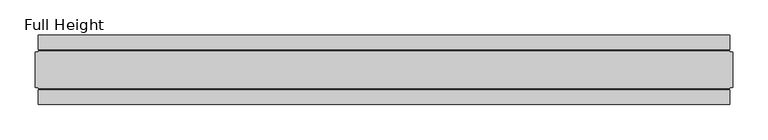
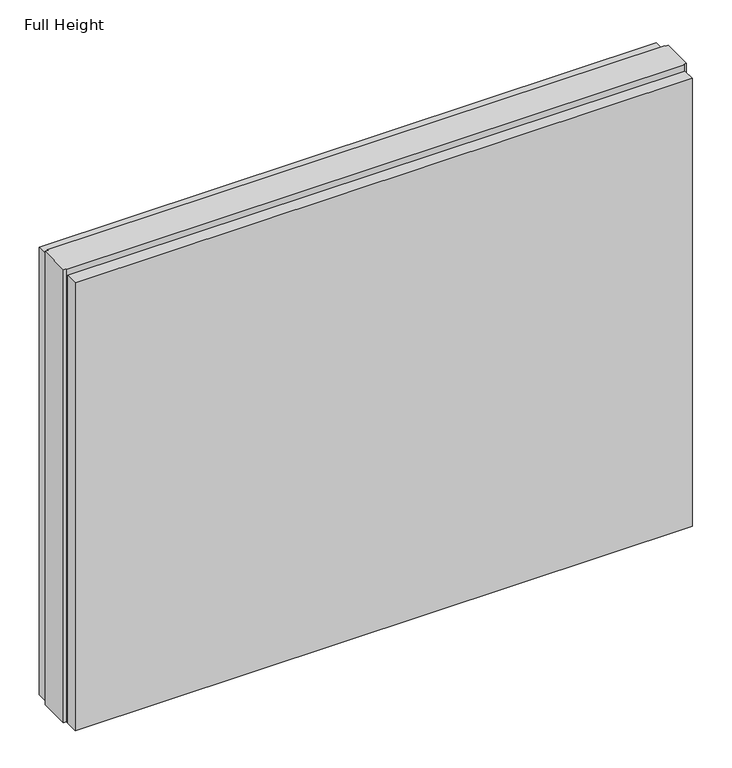
"""IFC4 building model written with IfcOpenShell, lengths in millimetres: plate geometry, Full Height."""

from ifc_helpers import new_model, si_unit, origin, origin_with_axes, place, context, project, spatial, polyline, outline, extrude, source, transform, mapped, element, save


def full_height_97227767(model_context):
    return source(origin(), model_context, "Body", "SweptSolid", [
        extrude(outline(polyline([(490.7279988, 28.956), (-490.7279988, 28.956), (-490.7279988, 49.53), (490.7279988, 49.53), (490.7279988, 28.956)])), origin_with_axes(), (0.0, 0.0, 1.0), 752.856),
        extrude(outline(polyline([(490.7279988, -28.956), (490.7279988, -49.53), (-490.7279988, -49.53), (-490.7279988, -28.956), (490.7279988, -28.956)])), origin_with_axes(), (0.0, 0.0, 1.0), 752.856),
        extrude(outline(polyline([(490.7279988, -25.146), (490.7279988, -26.67), (-490.7279988, -26.67), (-490.7279988, -25.146), (-495.2999988, -25.146), (-495.2999988, 25.146), (-490.7279988, 25.146), (-490.7279988, 26.67), (490.7279988, 26.67), (490.7279988, 25.146), (495.2999988, 25.146), (495.2999988, -25.146), (490.7279988, -25.146)])), origin_with_axes(), (0.0, 0.0, 1.0), 762.0),
    ])


if __name__ == "__main__":
    model = new_model("IFC4")
    model_context = context("Model", 3, world=origin())
    ifc_project = project(units=[si_unit("LENGTHUNIT", "METRE", prefix="MILLI")], contexts=[model_context])
    site = spatial("IfcSite", under=ifc_project)
    building = spatial("IfcBuilding", under=site)
    placement = place(None, origin())
    full_height_shape = full_height_97227767(model_context)
    element("IfcPlate", 1, ObjectType="Full Height", at=placement, inside=building, context=model_context, shape_type="MappedRepresentation", body=[
        mapped(full_height_shape, transform((0.0, 0.0, 0.0), x_axis=(1.0, 0.0, 0.0), y_axis=(0.0, 1.0, 0.0), z_axis=(0.0, 0.0, 1.0))),
    ])
    save(model, "model.ifc")
